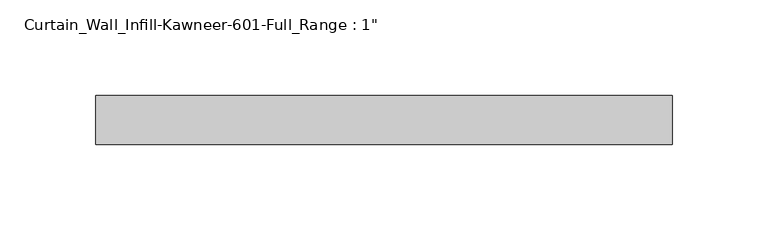
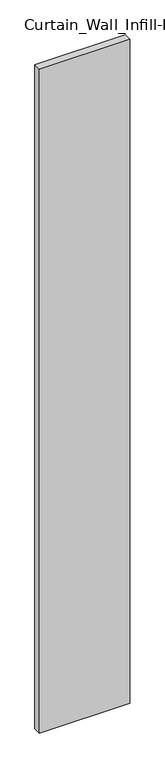
"""IFC4 building model written with IfcOpenShell, lengths in millimetres: plate geometry."""

import ifcopenshell
import ifcopenshell.guid

model = None  # the IFC model being written
_history = None  # IfcOwnerHistory: only IFC2X3 demands one
_inside = {}  # id of a spatial element -> (the spatial element, [elements in it])
_under = {}  # id of a project, library or spatial element -> (it, [spatial elements below it])
_declared = {}  # id of a project -> (the project, [libraries it declares])
_typed = {}  # id of a type object -> (the type object, [elements of that type])
_made_of = {}  # id of a material, layer set ... -> (it, [elements and type objects made of it])


def new_model(schema):
    """Start an empty IFC model of exactly this schema.

    Asked for "IFC4X3", IfcOpenShell would pick the latest addendum, in which some entities
    have other attributes; the version numbers below select the first issue.
    IFC2X3 requires an IfcOwnerHistory on every rooted entity: one is made here for all.
    """
    global model, _history
    if schema == "IFC4X3":
        model = ifcopenshell.file(schema_version=(4, 3, 0, 0))
    else:
        model = ifcopenshell.file(schema=schema)
    _inside.clear()
    _under.clear()
    _declared.clear()
    _typed.clear()
    _made_of.clear()
    _history = None
    if model.schema == "IFC2X3":
        org = make("IfcOrganization", Name="unknown")
        user = make(
            "IfcPersonAndOrganization",
            ThePerson=make("IfcPerson", FamilyName="unknown"),
            TheOrganization=org,
        )
        app = make(
            "IfcApplication",
            ApplicationDeveloper=org,
            Version="unknown",
            ApplicationFullName="unknown",
            ApplicationIdentifier="unknown",
        )
        _history = make(
            "IfcOwnerHistory",
            OwningUser=user,
            OwningApplication=app,
            ChangeAction="ADDED",
            CreationDate=0,
        )
    return model


def make(cls, **values):
    """One entity of the class cls with the attributes given. An attribute that is None is left unset."""
    return model.create_entity(
        cls, **{name: value for name, value in values.items() if value is not None}
    )


def rooted(cls, **values):
    """An entity with a GlobalId (a new one), such as an element, a storey or a relation."""
    return make(cls, GlobalId=ifcopenshell.guid.new(), OwnerHistory=_history, **values)


def si_unit(unit_type, name, prefix=None):
    """IfcSIUnit, for example si_unit("LENGTHUNIT", "METRE", prefix="MILLI")."""
    return make("IfcSIUnit", UnitType=unit_type, Prefix=prefix, Name=name)


def assignment(units):
    """IfcUnitAssignment: the units of a project."""
    return None if units is None else make("IfcUnitAssignment", Units=units)


def point(xyz):
    """IfcCartesianPoint."""
    return None if xyz is None else make("IfcCartesianPoint", Coordinates=xyz)


def direction(xyz):
    """IfcDirection."""
    return None if xyz is None else make("IfcDirection", DirectionRatios=xyz)


def frame(location, z_axis=None, x_axis=None):
    """IfcAxis2Placement3D, a coordinate frame: its origin and axes. An axis left out is left unset."""
    return make(
        "IfcAxis2Placement3D",
        Location=point(location),
        Axis=direction(z_axis),
        RefDirection=direction(x_axis),
    )


def origin():
    """The frame at (0, 0, 0) with its axes left unset."""
    return frame((0.0, 0.0, 0.0))


def origin_with_axes():
    """The frame at (0, 0, 0) with the z axis (0, 0, 1) and the x axis (1, 0, 0) written out."""
    return frame((0.0, 0.0, 0.0), z_axis=(0.0, 0.0, 1.0), x_axis=(1.0, 0.0, 0.0))


def place(relative_to, where):
    """IfcLocalPlacement: puts the frame where relative to a parent placement (None: the world)."""
    return make(
        "IfcLocalPlacement", PlacementRelTo=relative_to, RelativePlacement=where
    )


def context(
    kind, dimensions, precision=None, world=None, true_north=None, identifier=None
):
    """IfcGeometricRepresentationContext, for example the 3D "Model" context."""
    return make(
        "IfcGeometricRepresentationContext",
        ContextIdentifier=identifier,
        ContextType=kind,
        CoordinateSpaceDimension=dimensions,
        Precision=precision,
        WorldCoordinateSystem=world,
        TrueNorth=true_north,
    )


def project(units=None, contexts=None):
    """IfcProject with its units and contexts."""
    return rooted(
        "IfcProject",
        Name="project",
        RepresentationContexts=contexts,
        UnitsInContext=assignment(units),
    )


def spatial(cls, under=None, at=None, **own):
    """A site, building, storey or space (cls), placed at a placement, below another one or the project."""
    s = rooted(cls, ObjectPlacement=at, **own)
    if under is not None:
        _under.setdefault(under.id(), (under, []))[1].append(s)
    return s


def polyline(points):
    """IfcPolyline through the points."""
    return make("IfcPolyline", Points=[point(p) for p in points])


def outline(outer, holes=None, kind="AREA"):
    """IfcArbitraryClosedProfileDef: a profile drawn as a closed curve; with holes, ...WithVoids."""
    if holes is None:
        return make("IfcArbitraryClosedProfileDef", ProfileType=kind, OuterCurve=outer)
    return make(
        "IfcArbitraryProfileDefWithVoids",
        ProfileType=kind,
        OuterCurve=outer,
        InnerCurves=holes,
    )


def extrude(swept, where, along, depth):
    """IfcExtrudedAreaSolid: the profile swept, set in the frame where, extruded along a direction by depth."""
    return make(
        "IfcExtrudedAreaSolid",
        SweptArea=swept,
        Position=where,
        ExtrudedDirection=direction(along),
        Depth=depth,
    )


def shape(context_of_items, identifier, shape_type, items):
    """IfcShapeRepresentation: the items that make up one representation, for example the "Body"."""
    return make(
        "IfcShapeRepresentation",
        ContextOfItems=context_of_items,
        RepresentationIdentifier=identifier,
        RepresentationType=shape_type,
        Items=items,
    )


def source(mapping_origin, context_of_items, identifier, shape_type, items):
    """IfcRepresentationMap: a shape defined once, which mapped items show again and again."""
    return make(
        "IfcRepresentationMap",
        MappingOrigin=mapping_origin,
        MappedRepresentation=shape(context_of_items, identifier, shape_type, items),
    )


def transform(
    local_origin,
    x_axis=None,
    y_axis=None,
    z_axis=None,
    scale=None,
    scale2=None,
    scale3=None,
    uniform=True,
):
    """IfcCartesianTransformationOperator3D, or its non-uniform kind. x_axis, y_axis, z_axis: its Axis1, 2, 3."""
    if uniform:
        return make(
            "IfcCartesianTransformationOperator3D",
            Axis1=direction(x_axis),
            Axis2=direction(y_axis),
            LocalOrigin=point(local_origin),
            Scale=scale,
            Axis3=direction(z_axis),
        )
    return make(
        "IfcCartesianTransformationOperator3DnonUniform",
        Axis1=direction(x_axis),
        Axis2=direction(y_axis),
        LocalOrigin=point(local_origin),
        Scale=scale,
        Axis3=direction(z_axis),
        Scale2=scale2,
        Scale3=scale3,
    )


def mapped(mapping_source, mapping_target):
    """IfcMappedItem: shows the shape of a source again, moved by a transform."""
    return make(
        "IfcMappedItem", MappingSource=mapping_source, MappingTarget=mapping_target
    )


def made_of(thing, what):
    """Note that an element or type object is made of a material, layer set ...; save() writes the relation."""
    if what is not None:
        _made_of.setdefault(what.id(), (what, []))[1].append(thing)
    return thing


def element(
    cls,
    number,
    at=None,
    inside=None,
    cuts=None,
    type_object=None,
    material=None,
    context=None,
    identifier="Body",
    shape_type=None,
    held_by="IfcProductDefinitionShape",
    body=None,
    shapes=None,
    **own,
):
    """One element of the class cls, such as IfcWall. Its Tag is "e" and its number.

    at: its placement. inside: the storey or other place that contains it. cuts: it is an
    opening in that element (IfcRelVoidsElement). A single representation is given by context,
    identifier, shape_type and body (its items); several are given by shapes. held_by: the class
    of the entity that holds the representations. save() writes the other relations.
    """
    e = rooted(cls, Tag="e%d" % number, ObjectPlacement=at, **own)
    if body is not None:
        shapes = [shape(context, identifier, shape_type, body)]
    if shapes is not None:
        e.Representation = make(held_by, Representations=shapes)
    if inside is not None:
        _inside.setdefault(inside.id(), (inside, []))[1].append(e)
    if cuts is not None:
        rooted(
            "IfcRelVoidsElement", RelatingBuildingElement=cuts, RelatedOpeningElement=e
        )
    if type_object is not None:
        _typed.setdefault(type_object.id(), (type_object, []))[1].append(e)
    return made_of(e, material)


def aggregate(whole, parts):
    """IfcRelAggregates: a whole, such as a stair, and the parts it consists of."""
    return rooted("IfcRelAggregates", RelatingObject=whole, RelatedObjects=parts)


def save(model, path):
    """Write the relations noted so far, then the file.

    IfcRelAggregates (storeys below a building ...), IfcRelContainedInSpatialStructure (elements
    in a storey), IfcRelDefinesByType, IfcRelAssociatesMaterial and IfcRelDeclares: one each for
    every whole, place, type object, material and project.
    """
    for whole, parts in _under.values():
        aggregate(whole, parts)
    for where, things in _inside.values():
        rooted(
            "IfcRelContainedInSpatialStructure",
            RelatedElements=things,
            RelatingStructure=where,
        )
    for kind, things in _typed.values():
        rooted("IfcRelDefinesByType", RelatedObjects=things, RelatingType=kind)
    for what, things in _made_of.values():
        rooted("IfcRelAssociatesMaterial", RelatedObjects=things, RelatingMaterial=what)
    for by, libraries in _declared.values():
        rooted("IfcRelDeclares", RelatingContext=by, RelatedDefinitions=libraries)
    model.write(path)


def plate_b1775886(model_context):
    return source(origin(), model_context, "Body", "SweptSolid", [
        extrude(outline(polyline([(-150.339425, 12.7), (150.339425, 12.7), (150.339425, -12.7), (-150.339425, -12.7), (-150.339425, 12.7)])), origin_with_axes(), (0.0, 0.0, 1.0), 2330.45),
    ])


if __name__ == "__main__":
    model = new_model("IFC4")
    model_context = context("Model", 3, world=origin())
    ifc_project = project(units=[si_unit("LENGTHUNIT", "METRE", prefix="MILLI")], contexts=[model_context])
    site = spatial("IfcSite", under=ifc_project)
    building = spatial("IfcBuilding", under=site)
    placement = place(None, origin())
    plate_shape = plate_b1775886(model_context)
    element("IfcPlate", 1, ObjectType="Curtain_Wall_Infill-Kawneer-601-Full_Range : 1\"", at=placement, inside=building, context=model_context, shape_type="MappedRepresentation", body=[
        mapped(plate_shape, transform((0.0, 0.0, 0.0), x_axis=(1.0, 0.0, 0.0), y_axis=(0.0, 1.0, 0.0), z_axis=(0.0, 0.0, 1.0))),
    ])
    save(model, "model.ifc")
